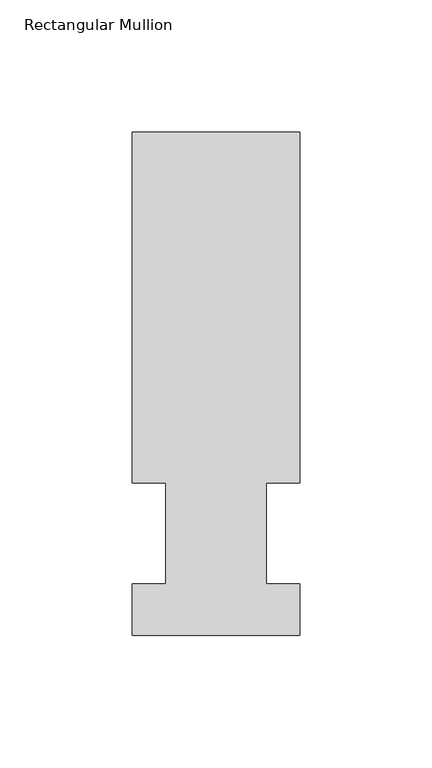
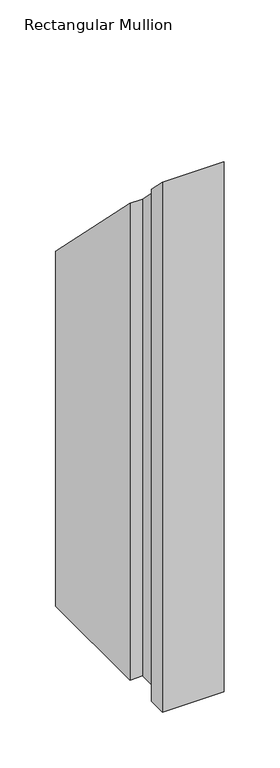
"""IFC4 building model written with IfcOpenShell, lengths in millimetres: member geometry, Rectangular Mullion."""

from ifc_helpers import new_model, si_unit, origin, place, context, project, spatial, faceted_brep, source, transform, mapped, element, save


def rectangular_mullion_db5c811a(model_context):
    return source(origin(), model_context, "Body", "Brep", [
        faceted_brep([(-63.5, 190.5896938, -577.8499994), (0.0, 190.5896938, -577.8499994), (0.0, 57.6460937, -577.8499994), (-12.6873, 57.6460937, -577.8499994), (-12.6873, 19.5460938, -577.8499994), (0.0, 19.5460938, -577.8499994), (0.0, 0.0134938, -577.8499994), (-63.5, 0.0134938, -577.8499994), (-63.5, 19.5460938, -577.8499994), (-50.8, 19.5460938, -577.8499994), (-50.8, 57.6460937, -577.8499994), (-63.5, 57.6460937, -577.8499994), (-63.5, 57.6460937, -57.6460937), (-63.5, 190.5896938, -190.5896938), (-50.8, 57.6460937, -57.6460937), (-50.8, 19.5460938, -19.5460938), (-63.5, 19.5460938, -19.5460938), (-63.5, 0.0134938, -0.0134938), (0.0, 0.0134938, -0.0134938), (0.0, 19.5460938, -19.5460938), (-12.6873, 19.5460938, -19.5460938), (-12.6873, 57.6460937, -57.6460937), (0.0, 57.6460937, -57.6460937), (0.0, 190.5896938, -190.5896938)], [[[0, 1, 2, 3, 4, 5, 6, 7, 8, 9, 10, 11]], [[12, 13, 0, 11]], [[14, 12, 11, 10]], [[15, 14, 10, 9]], [[16, 15, 9, 8]], [[17, 16, 8, 7]], [[18, 17, 7, 6]], [[19, 18, 6, 5]], [[20, 19, 5, 4]], [[21, 20, 4, 3]], [[22, 21, 3, 2]], [[23, 22, 2, 1]], [[13, 23, 1, 0]], [[13, 12, 14, 15, 16, 17, 18, 19, 20, 21, 22, 23]]]),
    ])


if __name__ == "__main__":
    model = new_model("IFC4")
    model_context = context("Model", 3, world=origin())
    ifc_project = project(units=[si_unit("LENGTHUNIT", "METRE", prefix="MILLI")], contexts=[model_context])
    site = spatial("IfcSite", under=ifc_project)
    building = spatial("IfcBuilding", under=site)
    placement = place(None, origin())
    rectangular_mullion_shape = rectangular_mullion_db5c811a(model_context)
    element("IfcMember", 1, ObjectType="Rectangular Mullion", at=placement, inside=building, context=model_context, shape_type="MappedRepresentation", body=[
        mapped(rectangular_mullion_shape, transform((0.0, 0.0, 0.0), x_axis=(1.0, 0.0, 0.0), y_axis=(0.0, 1.0, 0.0), z_axis=(0.0, 0.0, 1.0))),
    ])
    save(model, "model.ifc")
